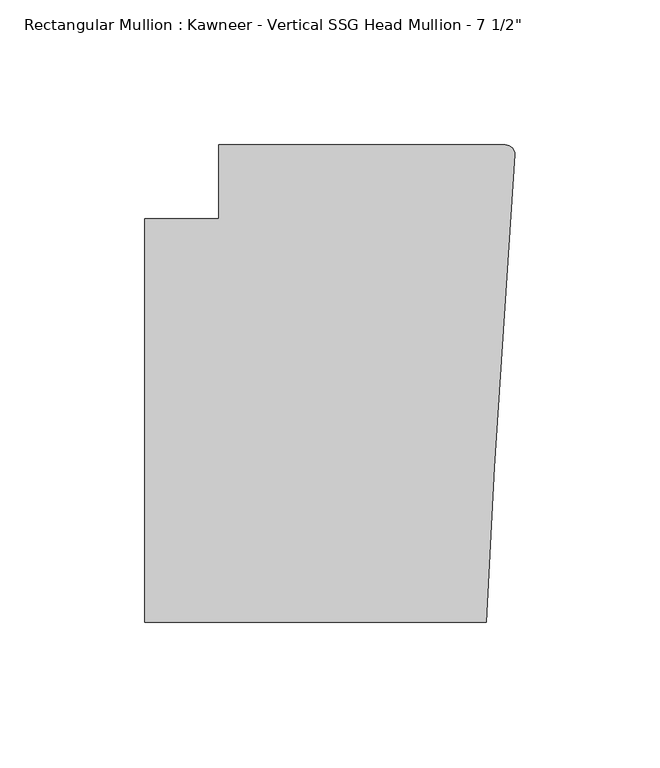
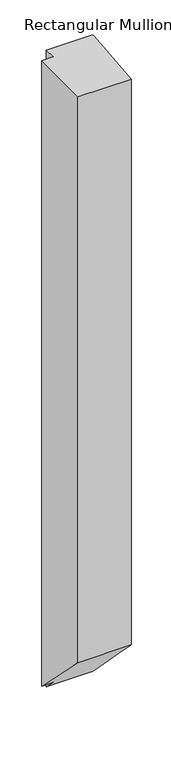
"""IFC4 building model written with IfcOpenShell, lengths in millimetres: member geometry."""

from ifc_helpers import new_model, si_unit, frame, origin, place, context, project, spatial, circle_curve, ellipse_curve, source, transform, mapped, element, save
from ifc_brep_helpers import plane_surface, cylinder_surface, advanced_brep


def member_59283ed6(model_context):
    return source(origin(), model_context, "Body", "AdvancedBrep", [
        advanced_brep(
        [(-102.08978, 12.7, 0.0), (-102.08978, -12.7, 0.0), (-127.4896668, -12.7, 0.0), (-127.4896668, -151.892, 0.0), (-9.7860662, -151.892, 0.0), (-6.9873394, -98.4891117, 0.0), (-0.006635, 9.3198462, 0.0), (-3.175, 12.7, 0.0), (-102.08978, 12.7, -1485.0546571), (-102.08978, -12.7, -1459.6546571), (-127.4896668, -12.7, -1459.6546571), (-127.4896668, -151.892, -1320.4626571), (-9.7860662, -151.892, -1320.4626571), (-6.9873394, -98.4891117, -1373.8655453), (-0.006635, 9.3198462, -1481.6745033), (-3.175, 12.7, -1485.0546571)],
        [
            (0, 1),
            (1, 2),
            (2, 3),
            (3, 4),
            (4, 5),
            (5, 6),
            (6, 7, circle_curve(frame((-3.175, 9.525, 0.0), z_axis=(0.0, 0.0, 1.0), x_axis=(0.0, 1.0, 0.0)), 3.175)),
            (7, 0),
            (0, 8),
            (8, 9),
            (9, 1),
            (9, 10),
            (10, 2),
            (10, 11),
            (11, 3),
            (11, 12),
            (12, 4),
            (12, 13),
            (13, 5),
            (13, 14),
            (14, 6),
            (14, 15, ellipse_curve(frame((-3.175, 9.525, -1481.8796571), z_axis=(0.0, 0.707106781186548, 0.707106781186547), x_axis=(0.0, -0.707106781186547, 0.707106781186548)), 4.4901281, 3.175)),
            (15, 7),
            (15, 8),
        ],
        [
            plane_surface(frame((0.0, -198.3048028, 0.0), z_axis=(0.0, 0.0, 1.0), x_axis=(-1.0, 0.0, 0.0))),
            plane_surface(frame((-102.08978, 12.7, 0.0), z_axis=(-1.0, 0.0, 0.0), x_axis=(0.0, 0.0, -1.0))),
            plane_surface(frame((-102.08978, -12.7, 0.0), z_axis=(0.0, 1.0, 0.0), x_axis=(0.0, 0.0, -1.0))),
            plane_surface(frame((-127.4896668, -12.7, 0.0), z_axis=(-1.0, 0.0, 0.0), x_axis=(0.0, 0.0, -1.0))),
            plane_surface(frame((-127.4896668, -151.892, 0.0), z_axis=(0.0, -1.0, 0.0), x_axis=(0.0, 0.0, -1.0))),
            plane_surface(frame((-9.7860662, -151.892, 0.0), z_axis=(0.9986295347545738, -0.05233595624294541, 0.0), x_axis=(0.0, 0.0, -1.0))),
            plane_surface(frame((-6.9873394, -98.4891117, 0.0), z_axis=(0.9979102429769694, -0.06461537712995265, 0.0), x_axis=(0.0, 0.0, -1.0))),
            cylinder_surface(frame((-3.175, 9.525, 0.0), z_axis=(0.0, 0.0, 1.0), x_axis=(0.0, 1.0, 0.0)), 3.175),
            plane_surface(frame((-3.175, 12.7, 0.0), z_axis=(0.0, 1.0, 0.0), x_axis=(0.0, 0.0, -1.0))),
            plane_surface(frame((304.8, 0.0, -1472.3546571), z_axis=(0.0, -0.707106781186548, -0.707106781186547), x_axis=(0.0, -0.707106781186547, 0.707106781186548))),
        ],
        [
            (0, [[1, 2, 3, 4, 5, 6, 7, 8]]),
            (1, [[-1, 9, 10, 11]]),
            (2, [[-2, -11, 12, 13]]),
            (3, [[-3, -13, 14, 15]]),
            (4, [[-4, -15, 16, 17]]),
            (5, [[-5, -17, 18, 19]]),
            (6, [[-6, -19, 20, 21]]),
            (7, [[-7, -21, 22, 23]]),
            (8, [[-8, -23, 24, -9]]),
            (9, [[-24, -22, -20, -18, -16, -14, -12, -10]]),
        ],
    ),
    ])


if __name__ == "__main__":
    model = new_model("IFC4")
    model_context = context("Model", 3, world=origin())
    ifc_project = project(units=[si_unit("LENGTHUNIT", "METRE", prefix="MILLI")], contexts=[model_context])
    site = spatial("IfcSite", under=ifc_project)
    building = spatial("IfcBuilding", under=site)
    placement = place(None, origin())
    member_shape = member_59283ed6(model_context)
    element("IfcMember", 1, ObjectType="Rectangular Mullion : Kawneer - Vertical SSG Head Mullion - 7 1/2\"", at=placement, inside=building, context=model_context, shape_type="MappedRepresentation", body=[
        mapped(member_shape, transform((0.0, 0.0, 0.0), x_axis=(1.0, 0.0, 0.0), y_axis=(0.0, 1.0, 0.0), z_axis=(0.0, 0.0, 1.0))),
    ])
    save(model, "model.ifc")
